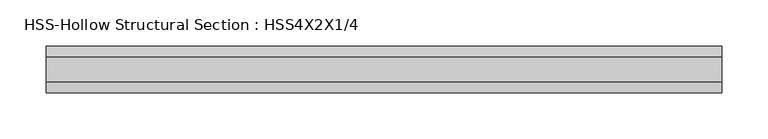
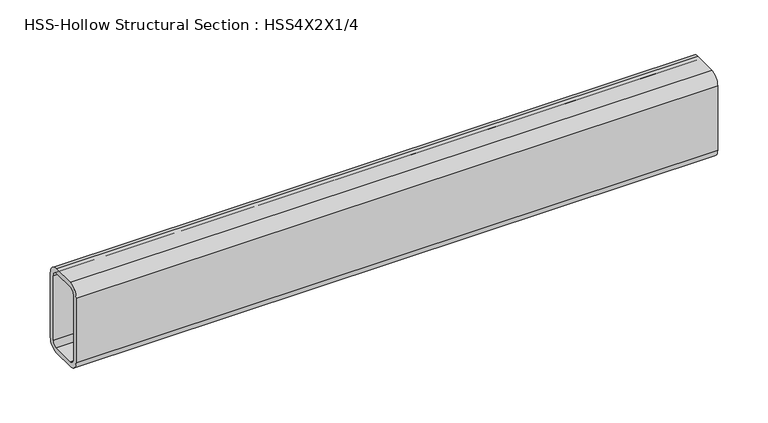
"""IFC4 building model written with IfcOpenShell, lengths in millimetres: beam geometry, HSS-Hollow Structural Section : HSS4X2X1/4."""

from ifc_helpers import new_model, si_unit, point, frame, frame_2d, origin, place, context, project, spatial, polyline, circle_curve, trimmed, segment, composite_curve, outline, extrude, source, transform, mapped, element, save


def hss_hollow_structural_section_hss4x2x1_4_01d3dc24(model_context):
    return source(origin(), model_context, "Body", "SweptSolid", [
        extrude(outline(composite_curve([segment(polyline([(25.4, 38.9636), (25.4, -38.9636)]), True, "CONTINUOUS"), segment(trimmed(circle_curve(frame_2d((13.5636, -38.9636)), 11.8364), [point((25.4, -38.9636))], [point((13.5636, -50.8))], False, "CARTESIAN"), True, "CONTINUOUS"), segment(polyline([(13.5636, -50.8), (-13.5636, -50.8)]), True, "CONTINUOUS"), segment(trimmed(circle_curve(frame_2d((-13.5636, -38.9636)), 11.8364), [point((-13.5636, -50.8))], [point((-25.4, -38.9636))], False, "CARTESIAN"), True, "CONTINUOUS"), segment(polyline([(-25.4, -38.9636), (-25.4, 38.9636)]), True, "CONTINUOUS"), segment(trimmed(circle_curve(frame_2d((-13.5636, 38.9636)), 11.8364), [point((-25.4, 38.9636))], [point((-13.5636, 50.8))], False, "CARTESIAN"), True, "CONTINUOUS"), segment(polyline([(-13.5636, 50.8), (13.5636, 50.8)]), True, "CONTINUOUS"), segment(trimmed(circle_curve(frame_2d((13.5636, 38.9636)), 11.8364), [point((13.5636, 50.8))], [point((25.4, 38.9636))], False, "CARTESIAN"), True, "CONTINUOUS")], self_intersect=False), holes=[composite_curve([segment(trimmed(circle_curve(frame_2d((-13.5636, 38.9636)), 5.9182), [point((-13.5636, 44.8818))], [point((-19.4818, 38.9636))], True, "CARTESIAN"), True, "CONTINUOUS"), segment(polyline([(-19.4818, 38.9636), (-19.4818, -38.9636)]), True, "CONTINUOUS"), segment(trimmed(circle_curve(frame_2d((-13.5636, -38.9636)), 5.9182), [point((-19.4818, -38.9636))], [point((-13.5636, -44.8818))], True, "CARTESIAN"), True, "CONTINUOUS"), segment(polyline([(-13.5636, -44.8818), (13.5636, -44.8818)]), True, "CONTINUOUS"), segment(trimmed(circle_curve(frame_2d((13.5636, -38.9636)), 5.9182), [point((13.5636, -44.8818))], [point((19.4818, -38.9636))], True, "CARTESIAN"), True, "CONTINUOUS"), segment(polyline([(19.4818, -38.9636), (19.4818, 38.9636)]), True, "CONTINUOUS"), segment(trimmed(circle_curve(frame_2d((13.5636, 38.9636)), 5.9182), [point((19.4818, 38.9636))], [point((13.5636, 44.8818))], True, "CARTESIAN"), True, "CONTINUOUS"), segment(polyline([(13.5636, 44.8818), (-13.5636, 44.8818)]), True, "CONTINUOUS")], self_intersect=False)]), frame((-379.5135669, 0.0, 0.0), z_axis=(1.0, 0.0, 0.0), x_axis=(0.0, 1.0, 0.0)), (0.0, 0.0, 1.0), 733.7566179),
    ])


if __name__ == "__main__":
    model = new_model("IFC4")
    model_context = context("Model", 3, world=origin())
    ifc_project = project(units=[si_unit("LENGTHUNIT", "METRE", prefix="MILLI")], contexts=[model_context])
    site = spatial("IfcSite", under=ifc_project)
    building = spatial("IfcBuilding", under=site)
    placement = place(None, origin())
    hss_hollow_structural_section_hss4x2x1_4_shape = hss_hollow_structural_section_hss4x2x1_4_01d3dc24(model_context)
    element("IfcBeam", 1, ObjectType="HSS-Hollow Structural Section : HSS4X2X1/4", at=placement, inside=building, context=model_context, shape_type="MappedRepresentation", body=[
        mapped(hss_hollow_structural_section_hss4x2x1_4_shape, transform((0.0, 0.0, 0.0), x_axis=(1.0, 0.0, 0.0), y_axis=(0.0, 1.0, 0.0), z_axis=(0.0, 0.0, 1.0))),
    ])
    save(model, "model.ifc")
